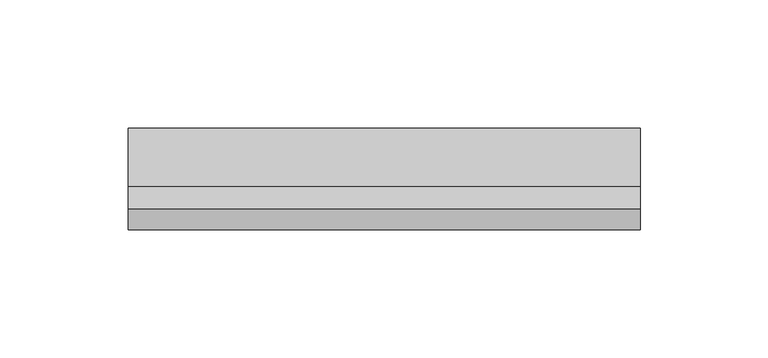
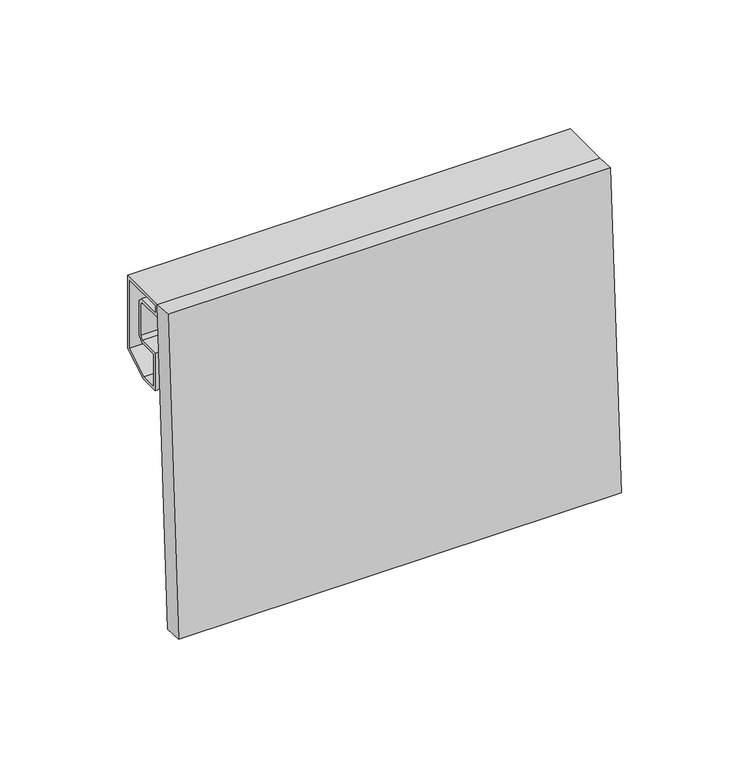
"""IFC4 building model written with IfcOpenShell, lengths in millimetres: plate geometry."""

from ifc_helpers import new_model, si_unit, frame, origin, place, context, project, spatial, polyline, outline, extrude, source, transform, mapped, element, save


def plate_9a6057a2(model_context):
    return source(origin(), model_context, "Body", "SweptSolid", [
        extrude(outline(polyline([(0.0, 8.5), (200.0, 8.5), (200.0, 0.0), (0.0, 0.0), (0.0, 8.5)])), frame((100.0, -8.3197186, 0.0), z_axis=(0.0, 0.05537967254200356, 0.9984653683874772), x_axis=(-1.0, 0.0, 0.0)), (0.0, 0.0, 1.0), 150.2305485),
        extrude(outline(polyline([(23.0, 115.1685791), (10.3922729, 108.0), (1.5, 108.0), (1.5, 126.0), (11.5857849, 126.0), (13.0, 127.4142151), (13.0, 142.5857849), (11.5857849, 144.0), (0.0, 144.0), (0.0, 150.0), (23.0, 150.0), (23.0, 115.1685791)]), holes=[polyline([(1.5, 148.5), (1.5, 145.5), (12.2071053, 145.5), (14.5, 143.2071053), (14.5, 126.7928947), (12.2071053, 124.5), (3.0, 124.5), (3.0, 109.5), (9.9956483, 109.5), (21.5, 116.0412151), (21.5, 148.5), (1.5, 148.5)])]), frame((-100.0, 0.0, 0.0), z_axis=(1.0, 0.0, 0.0), x_axis=(0.0, 1.0, 0.0)), (0.0, 0.0, 1.0), 200.0),
    ])


if __name__ == "__main__":
    model = new_model("IFC4")
    model_context = context("Model", 3, world=origin())
    ifc_project = project(units=[si_unit("LENGTHUNIT", "METRE", prefix="MILLI")], contexts=[model_context])
    site = spatial("IfcSite", under=ifc_project)
    building = spatial("IfcBuilding", under=site)
    placement = place(None, origin())
    plate_shape = plate_9a6057a2(model_context)
    element("IfcPlate", 1, at=placement, inside=building, context=model_context, shape_type="MappedRepresentation", body=[
        mapped(plate_shape, transform((0.0, 0.0, 0.0), x_axis=(1.0, 0.0, 0.0), y_axis=(0.0, 1.0, 0.0), z_axis=(0.0, 0.0, 1.0))),
    ])
    save(model, "model.ifc")
